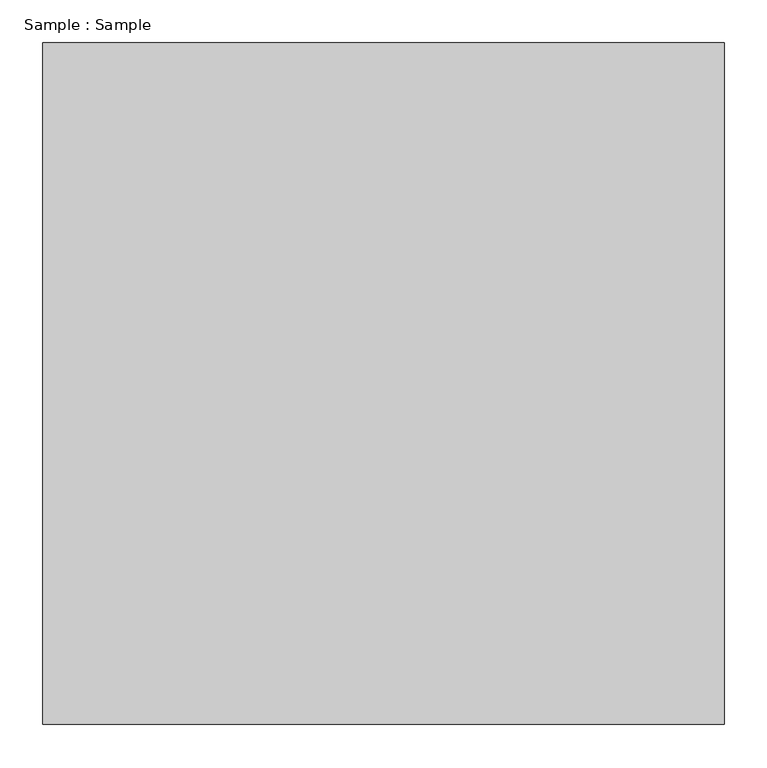
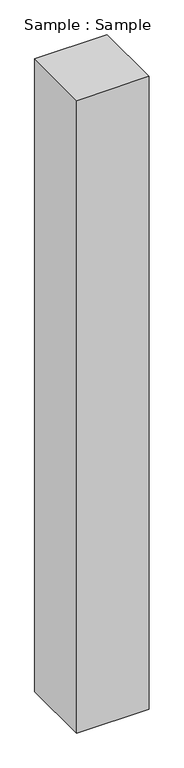
"""IFC4 building model written with IfcOpenShell, lengths in millimetres: proxy geometry, Sample : Sample."""

from ifc_helpers import new_model, si_unit, origin, origin_with_axes, place, context, project, spatial, polyline, outline, extrude, source, transform, mapped, element, save


def sample_sample_82d0cc95(model_context):
    return source(origin(), model_context, "Body", "SweptSolid", [
        extrude(outline(polyline([(400.0, 400.0), (400.0, -400.0), (-400.0, -400.0), (-400.0, 400.0), (400.0, 400.0)])), origin_with_axes(), (0.0, 0.0, 1.0), 7379.3103448),
    ])


if __name__ == "__main__":
    model = new_model("IFC4")
    model_context = context("Model", 3, world=origin())
    ifc_project = project(units=[si_unit("LENGTHUNIT", "METRE", prefix="MILLI")], contexts=[model_context])
    site = spatial("IfcSite", under=ifc_project)
    building = spatial("IfcBuilding", under=site)
    placement = place(None, origin())
    sample_sample_shape = sample_sample_82d0cc95(model_context)
    element("IfcBuildingElementProxy", 1, Name="Sample : Sample", ObjectType="Sample : Sample", at=placement, inside=building, context=model_context, shape_type="MappedRepresentation", body=[
        mapped(sample_sample_shape, transform((0.0, 0.0, 0.0), x_axis=(1.0, 0.0, 0.0), y_axis=(0.0, 1.0, 0.0), z_axis=(0.0, 0.0, 1.0))),
    ])
    save(model, "model.ifc")
